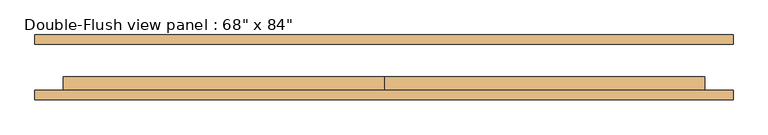
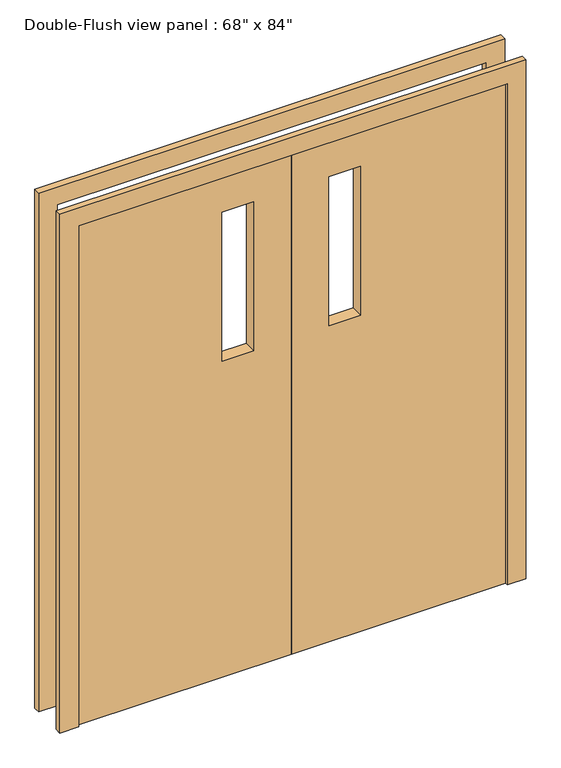
"""IFC4 building model written with IfcOpenShell, lengths in millimetres: door geometry."""

from ifc_helpers import new_model, si_unit, frame, origin, place, context, project, spatial, polyline, outline, extrude, source, transform, mapped, element, save


def door_e7dd96ba(model_context):
    return source(origin(), model_context, "Body", "SweptSolid", [
        extrude(outline(polyline([(2133.6, 0.0), (2133.6, -863.6), (0.0, -863.6), (0.0, 0.0), (2133.6, 0.0)]), holes=[polyline([(1981.2, -279.4), (1981.2, -152.4), (1346.2, -152.4), (1346.2, -279.4), (1981.2, -279.4)])]), frame((0.0, -76.2, 0.0), z_axis=(0.0, 1.0, 0.0), x_axis=(0.0, 0.0, 1.0)), (0.0, 0.0, 1.0), 50.8),
        extrude(outline(polyline([(2133.6, 0.0), (0.0, 0.0), (0.0, 863.6), (2133.6, 863.6), (2133.6, 0.0)]), holes=[polyline([(1981.2, 279.4), (1346.2, 279.4), (1346.2, 152.4), (1981.2, 152.4), (1981.2, 279.4)])]), frame((0.0, -76.2, 0.0), z_axis=(0.0, 1.0, 0.0), x_axis=(0.0, 0.0, 1.0)), (0.0, 0.0, 1.0), 50.8),
        extrude(outline(polyline([(2133.6, -863.6), (2133.6, 863.6), (0.0, 863.6), (0.0, 939.8), (2209.8, 939.8), (2209.8, -939.8), (0.0, -939.8), (0.0, -863.6), (2133.6, -863.6)])), frame((0.0, 61.9125, 0.0), z_axis=(0.0, 1.0, 0.0), x_axis=(0.0, 0.0, 1.0)), (0.0, 0.0, 1.0), 25.4),
        extrude(outline(polyline([(2133.6, -863.6), (2133.6, 863.6), (0.0, 863.6), (0.0, 939.8), (2209.8, 939.8), (2209.8, -939.8), (0.0, -939.8), (0.0, -863.6), (2133.6, -863.6)])), frame((0.0, -87.3125, 0.0), z_axis=(0.0, 1.0, 0.0), x_axis=(0.0, 0.0, 1.0)), (0.0, 0.0, 1.0), 25.4),
    ])


if __name__ == "__main__":
    model = new_model("IFC4")
    model_context = context("Model", 3, world=origin())
    ifc_project = project(units=[si_unit("LENGTHUNIT", "METRE", prefix="MILLI")], contexts=[model_context])
    site = spatial("IfcSite", under=ifc_project)
    building = spatial("IfcBuilding", under=site)
    placement = place(None, origin())
    door_shape = door_e7dd96ba(model_context)
    element("IfcDoor", 1, ObjectType="Double-Flush view panel : 68\" x 84\"", at=placement, inside=building, context=model_context, shape_type="MappedRepresentation", body=[
        mapped(door_shape, transform((0.0, 0.0, 0.0), x_axis=(1.0, 0.0, 0.0), y_axis=(0.0, 1.0, 0.0), z_axis=(0.0, 0.0, 1.0))),
    ])
    save(model, "model.ifc")
